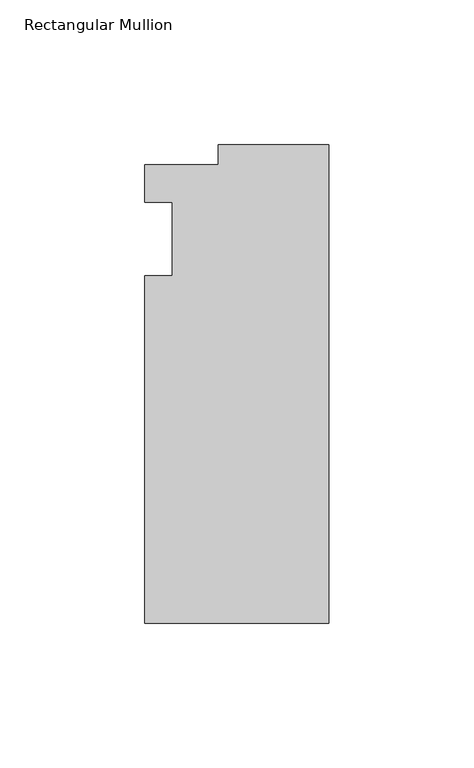
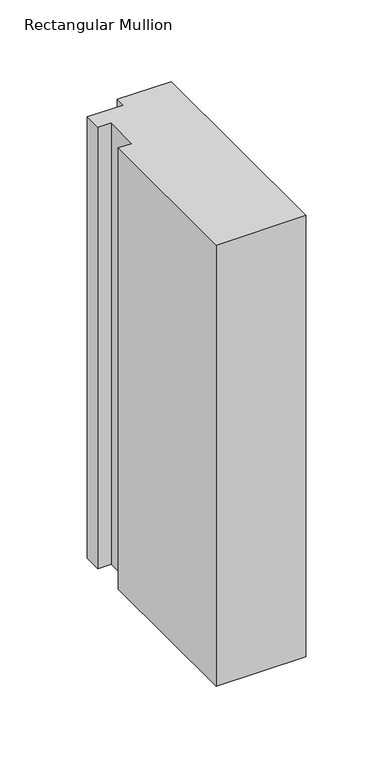
"""IFC4 building model written with IfcOpenShell, lengths in millimetres: member geometry, Rectangular Mullion."""

from ifc_helpers import new_model, si_unit, frame, origin, place, context, project, spatial, polyline, outline, extrude, source, transform, mapped, element, save


def rectangular_mullion_1f1d62d5(model_context):
    return source(origin(), model_context, "Body", "SweptSolid", [
        extrude(outline(polyline([(-38.1, 32.54375), (0.0, 32.54375), (0.0, -132.55625), (-63.5, -132.55625), (-63.5, -12.7), (-53.975, -12.7), (-53.975, 12.7), (-63.5, 12.7), (-63.5, 25.58415), (-38.1, 25.58415), (-38.1, 32.54375)])), frame((0.0, 0.0, -330.2), z_axis=(0.0, 0.0, 1.0), x_axis=(1.0, 0.0, 0.0)), (0.0, 0.0, 1.0), 330.2),
    ])


if __name__ == "__main__":
    model = new_model("IFC4")
    model_context = context("Model", 3, world=origin())
    ifc_project = project(units=[si_unit("LENGTHUNIT", "METRE", prefix="MILLI")], contexts=[model_context])
    site = spatial("IfcSite", under=ifc_project)
    building = spatial("IfcBuilding", under=site)
    placement = place(None, origin())
    rectangular_mullion_shape = rectangular_mullion_1f1d62d5(model_context)
    element("IfcMember", 1, ObjectType="Rectangular Mullion", at=placement, inside=building, context=model_context, shape_type="MappedRepresentation", body=[
        mapped(rectangular_mullion_shape, transform((0.0, 0.0, 0.0), x_axis=(1.0, 0.0, 0.0), y_axis=(0.0, 1.0, 0.0), z_axis=(0.0, 0.0, 1.0))),
    ])
    save(model, "model.ifc")
